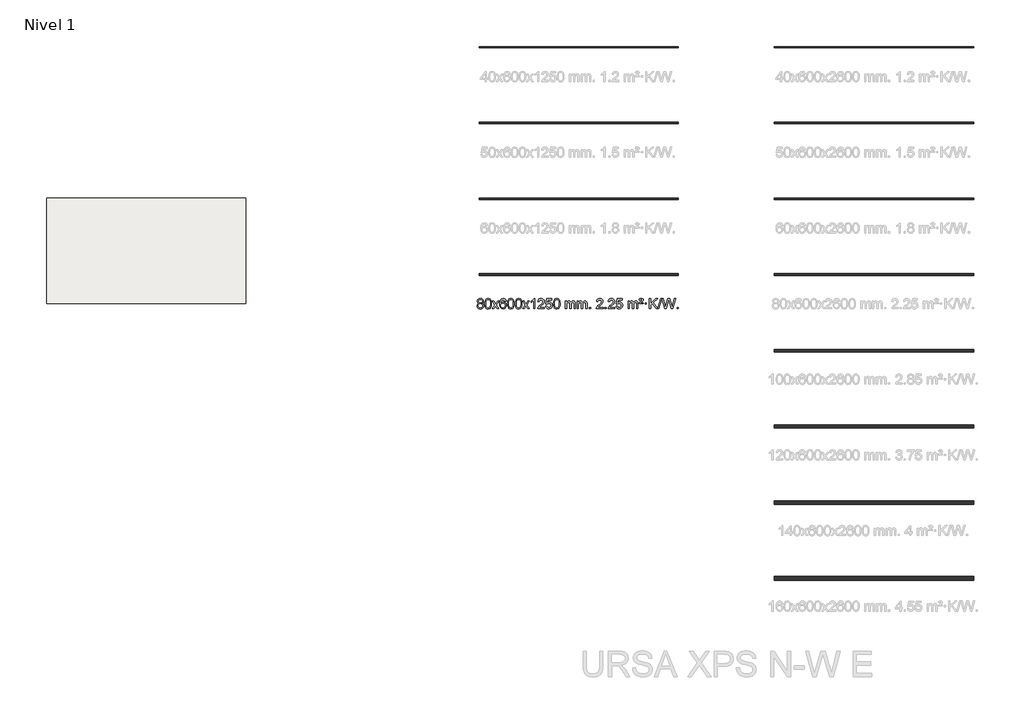
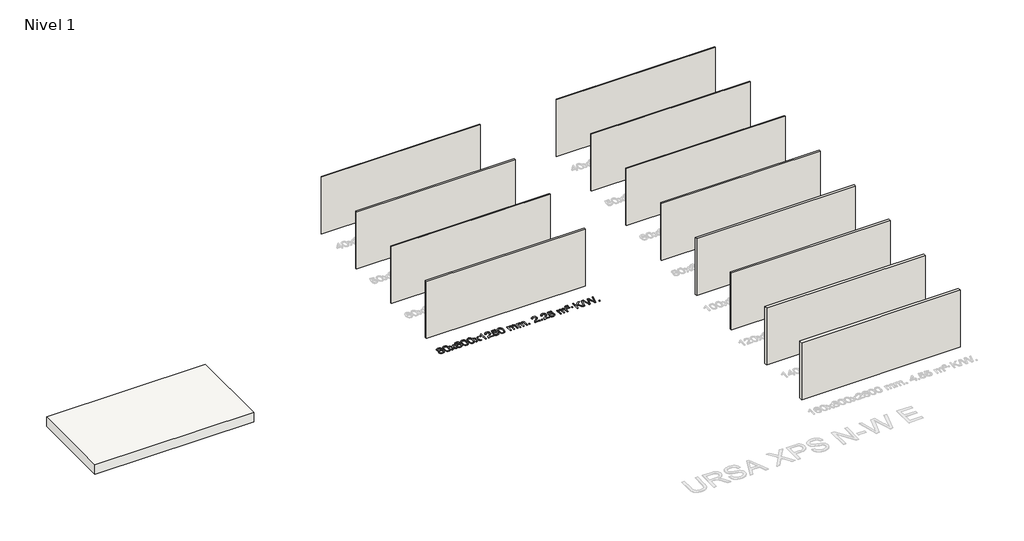
# One storey, part 1 of 12: 12 walls, 1 proxy, 1 slab.
"""IFC4 building model written with IfcOpenShell, lengths in millimetres."""

from ifc_helpers import new_model, si_unit, frame, origin, origin_with_axes, place, context, project, spatial, polyline, outline, extrude, element, save

model = new_model("IFC4")

# Units and contexts
model_context = context("Model", 3, world=origin())
ifc_project = project(units=[si_unit("LENGTHUNIT", "METRE", prefix="MILLI")], contexts=[model_context])

# Site, building, storey
site = spatial("IfcSite", under=ifc_project)
building = spatial("IfcBuilding", under=site)
storey = spatial("IfcBuildingStorey", under=building, Name="Nivel 1", Elevation=0.0)

# Proxy
placement = place(None, origin())
element("IfcBuildingElementProxy", 1, Name="Texto de modelo 1", ObjectType="Texto de modelo 1", at=placement, inside=storey, context=model_context, shape_type="SweptSolid", body=[
    extrude(outline(polyline([(-6536.8094438, -6174.2616447), (-6563.7016177, -6161.0178929), (-6582.573964, -6143.0652515), (-6593.7207885, -6120.7716026), (-6597.4363966, -6094.5048281), (-6595.4130456, -6074.0199324), (-6589.3429927, -6055.2395565), (-6579.2262378, -6038.1637006), (-6565.062781, -6022.7923645), (-6547.533204, -6010.088173), (-6527.3180883, -6001.0137504), (-6504.4174341, -5995.5690969), (-6478.8312414, -5993.7542124), (-6453.1224213, -5995.6120165), (-6430.0500888, -6001.1854287), (-6409.614244, -6010.4744491), (-6391.8148868, -6023.4790776), (-6377.3939126, -6039.1508506), (-6367.0932167, -6056.4413044), (-6360.9127992, -6075.3504389), (-6358.85266, -6095.8782543), (-6362.5192172, -6121.2989001), (-6373.5188889, -6143.2124043), (-6391.9743023, -6161.0546811), (-6418.0080848, -6174.2616447), (-6387.0937345, -6190.1909351), (-6364.5916191, -6213.6495436), (-6350.8696207, -6243.5092989), (-6346.2956212, -6278.6420295), (-6348.5642269, -6303.6947933), (-6355.3700438, -6326.6628926), (-6366.713072, -6347.5463272), (-6382.5933114, -6366.3450971), (-6402.1768963, -6381.88198), (-6424.6299607, -6392.9797536), (-6449.9525047, -6399.6384177), (-6478.1445283, -6401.8579724), (-6506.3365519, -6399.6292206), (-6531.6590959, -6392.9429654), (-6554.1121603, -6381.7992066), (-6573.6957452, -6366.1979443), (-6589.5759846, -6347.26735), (-6600.9190128, -6326.135595), (-6607.7248297, -6302.8026795), (-6609.9934354, -6277.2686033), (-6605.2354949, -6240.7747094), (-6590.9616735, -6210.7555386), (-6567.9077351, -6188.2411605), (-6536.8094438, -6174.2616447)]), holes=[polyline([(-6547.2082415, -6095.9763561), (-6542.7568694, -6117.902123), (-6529.402753, -6135.413306), (-6507.5382997, -6146.8912243), (-6477.5559171, -6150.717197), (-6448.2725103, -6146.9157497), (-6426.7391508, -6135.5114079), (-6413.495399, -6118.5888361), (-6409.0808151, -6098.232699), (-6413.6425518, -6077.1040098), (-6427.327762, -6059.629615), (-6449.1554271, -6047.8941794), (-6478.1445283, -6043.9823675), (-6507.3175705, -6047.8083402), (-6529.1084474, -6059.2862585), (-6542.683293, -6076.1107284), (-6547.2082415, -6095.9763561)]), polyline([(-6559.7652803, -6275.5027698), (-6557.6683529, -6294.7184726), (-6551.3775708, -6313.3210389), (-6539.7647625, -6329.5446349), (-6521.7017565, -6341.623427), (-6500.0702952, -6349.1282197), (-6477.7521208, -6351.6298173), (-6443.5636208, -6346.3691048), (-6429.6699441, -6339.7932141), (-6417.909983, -6330.5869672), (-6401.870328, -6306.6869002), (-6396.5237763, -6277.0723996), (-6402.0420062, -6246.9551269), (-6418.596696, -6222.5277625), (-6430.6754882, -6213.0854579), (-6444.838945, -6206.3409547), (-6479.4198526, -6200.9453521), (-6513.130106, -6206.2673783), (-6526.8674329, -6212.919911), (-6538.5262264, -6222.2334569), (-6554.4555168, -6246.1948375), (-6559.7652803, -6275.5027698)])]), origin_with_axes(), (0.0, 0.0, 1.0), 10.0),
    extrude(outline(polyline([(-6302.3459855, -6197.9041943), (-6298.6549029, -6133.5861588), (-6287.5816548, -6082.2911459), (-6269.236606, -6043.2343407), (-6257.378543, -6028.0009605), (-6243.730121, -6015.6309284), (-6228.2453547, -6006.0598651), (-6210.8782588, -5999.2233914), (-6170.4970785, -5993.7542124), (-6139.5459399, -5996.991574), (-6111.832163, -6006.7036586), (-6088.6555973, -6022.5103217), (-6071.3160926, -6044.0314184), (-6058.2194935, -6071.0830078), (-6047.7716449, -6103.4811488), (-6040.9290398, -6144.6226186), (-6038.6481714, -6197.9041943), (-6042.3024659, -6261.8543477), (-6053.2653493, -6313.0267333), (-6071.5000336, -6352.1203266), (-6083.3305054, -6367.3996922), (-6096.9697304, -6379.8341036), (-6112.4728908, -6389.4695462), (-6129.8951689, -6396.3520052), (-6170.4970785, -6401.8579724), (-6198.1618045, -6399.4667394), (-6222.6872709, -6392.2930405), (-6244.0734775, -6380.3368757), (-6262.3204245, -6363.5982449), (-6279.8316074, -6333.3399508), (-6292.3395953, -6295.6381776), (-6299.844388, -6250.4929255), (-6302.3459855, -6197.9041943)]), holes=[polyline([(-6252.1178305, -6197.8060924), (-6250.6463025, -6241.4706195), (-6246.2317185, -6276.8148822), (-6238.8740786, -6303.8388804), (-6228.5733828, -6322.5426142), (-6216.1144459, -6335.2682656), (-6202.2820829, -6344.3580165), (-6187.0762937, -6349.8118671), (-6170.4970785, -6351.6298173), (-6153.9178632, -6349.8057357), (-6138.7120741, -6344.3334911), (-6124.8797111, -6335.2130833), (-6112.4207742, -6322.4445124), (-6102.1200783, -6303.7101217), (-6094.7624384, -6276.6922549), (-6090.3478545, -6241.3909118), (-6088.8763265, -6197.8060924), (-6090.2988035, -6155.2973278), (-6094.5662347, -6120.5753989), (-6101.6786199, -6093.6403055), (-6111.6359592, -6074.4920476), (-6123.8864297, -6061.1440625), (-6137.8782082, -6051.6097875), (-6153.6112949, -6045.8892225), (-6171.0856897, -6043.9823675), (-6187.5790658, -6045.6623619), (-6202.5273375, -6050.7023452), (-6215.9305049, -6059.1023175), (-6227.7885679, -6070.8622786), (-6238.4326203, -6091.708925), (-6246.0355148, -6119.8151094), (-6250.5972516, -6155.1808319), (-6252.1178305, -6197.8060924)])]), origin_with_axes(), (0.0, 0.0, 1.0), 10.0),
    extrude(outline(polyline([(-6013.5340939, -6395.579453), (-5906.2106531, -6247.2494325), (-6007.2555745, -6100.4890419), (-5946.8248254, -6100.4890419), (-5898.0681983, -6171.122385), (-5875.3085655, -6204.4770192), (-5855.5900906, -6177.2047007), (-5800.0644348, -6100.4890419), (-5739.6336857, -6100.4890419), (-5845.7799041, -6247.2494325), (-5743.5577603, -6395.579453), (-5803.9885094, -6395.579453), (-5865.498379, -6306.4048574), (-5876.7800935, -6290.1199477), (-5953.1033448, -6395.579453), (-6013.5340939, -6395.579453)])), origin_with_axes(), (0.0, 0.0, 1.0), 10.0),
    extrude(outline(polyline([(-5454.7458687, -6100.4890419), (-5504.9740237, -6106.7675613), (-5513.0674276, -6081.874213), (-5524.0057856, -6064.8780648), (-5546.7899439, -6049.2062918), (-5574.3320426, -6043.9823675), (-5597.6802865, -6047.0235253), (-5619.6551044, -6056.1469988), (-5638.5274507, -6075.3627017), (-5653.9417063, -6101.8134171), (-5664.3527668, -6139.227016), (-5668.2155277, -6191.3313693), (-5648.0678571, -6167.8237098), (-5623.9225355, -6151.2567573), (-5597.1284635, -6141.434308), (-5569.0345418, -6138.1601582), (-5544.9014829, -6140.398107), (-5522.6323595, -6147.1119534), (-5502.2271715, -6158.3016975), (-5483.6859189, -6173.9673391), (-5468.2777947, -6193.1769106), (-5457.2719917, -6214.9984443), (-5450.6685099, -6239.4319401), (-5448.4673493, -6266.4773982), (-5452.6121531, -6302.4439945), (-5465.0465645, -6335.786366), (-5484.740514, -6364.0642287), (-5510.6639319, -6384.8372987), (-5541.6395959, -6397.602804), (-5576.4902836, -6401.8579724), (-5606.4328123, -6399.0375437), (-5633.4752046, -6390.5762579), (-5657.6174606, -6376.4741147), (-5678.8595801, -6356.7311143), (-5696.177625, -6330.5133908), (-5708.5476571, -6296.9870783), (-5715.9696764, -6256.1521768), (-5718.4436828, -6208.0086864), (-5715.6968306, -6154.0342663), (-5707.4562739, -6107.9693092), (-5693.7220127, -6069.8138149), (-5674.4940471, -6039.5677835), (-5653.6535321, -6019.5243462), (-5629.4898164, -6005.2076052), (-5602.0029, -5996.6175606), (-5571.1927829, -5993.7542124), (-5548.0591367, -5995.5261773), (-5527.1205198, -6000.8420722), (-5508.3769322, -6009.7018969), (-5491.8283738, -6022.1056515), (-5477.9224344, -6037.6364031), (-5467.1067037, -6055.8772186), (-5459.3811818, -6076.8280983), (-5454.7458687, -6100.4890419)]), holes=[polyline([(-5668.2155277, -6265.6925832), (-5665.30926, -6287.9494439), (-5656.5904567, -6309.2007605), (-5643.0523993, -6327.472233), (-5625.6883691, -6340.7895612), (-5604.7313581, -6348.9197533), (-5580.4143582, -6351.6298173), (-5547.2681904, -6346.0134855), (-5533.353054, -6338.9930708), (-5521.2098825, -6329.1644901), (-5511.359842, -6316.9262824), (-5504.3240989, -6302.6769865), (-5498.6955043, -6268.1451299), (-5504.2505225, -6234.9989621), (-5511.1942951, -6221.3781312), (-5520.9155769, -6209.725469), (-5533.0955366, -6200.3904634), (-5547.4153432, -6193.7226022), (-5582.4744974, -6188.3883133), (-5615.5716142, -6193.7226022), (-5643.248603, -6209.725469), (-5654.1716326, -6221.2248471), (-5661.9737965, -6234.3858254), (-5666.6550949, -6249.2084042), (-5668.2155277, -6265.6925832)])]), origin_with_axes(), (0.0, 0.0, 1.0), 10.0),
    extrude(outline(polyline([(-5404.5177136, -6197.9041943), (-5400.8266309, -6133.5861588), (-5389.7533828, -6082.2911459), (-5371.408334, -6043.2343407), (-5359.550271, -6028.0009605), (-5345.901849, -6015.6309284), (-5330.4170827, -6006.0598651), (-5313.0499869, -5999.2233914), (-5272.6688065, -5993.7542124), (-5241.717668, -5996.991574), (-5214.003891, -6006.7036586), (-5190.8273253, -6022.5103217), (-5173.4878206, -6044.0314184), (-5160.3912216, -6071.0830078), (-5149.9433729, -6103.4811488), (-5143.1007678, -6144.6226186), (-5140.8198994, -6197.9041943), (-5144.4741939, -6261.8543477), (-5155.4370774, -6313.0267333), (-5173.6717616, -6352.1203266), (-5185.5022334, -6367.3996922), (-5199.1414584, -6379.8341036), (-5214.6446188, -6389.4695462), (-5232.066897, -6396.3520052), (-5272.6688065, -6401.8579724), (-5300.3335326, -6399.4667394), (-5324.8589989, -6392.2930405), (-5346.2452055, -6380.3368757), (-5364.4921525, -6363.5982449), (-5382.0033355, -6333.3399508), (-5394.5113233, -6295.6381776), (-5402.016116, -6250.4929255), (-5404.5177136, -6197.9041943)]), holes=[polyline([(-5354.2895585, -6197.8060924), (-5352.8180305, -6241.4706195), (-5348.4034466, -6276.8148822), (-5341.0458067, -6303.8388804), (-5330.7451108, -6322.5426142), (-5318.2861739, -6335.2682656), (-5304.4538109, -6344.3580165), (-5289.2480218, -6349.8118671), (-5272.6688065, -6351.6298173), (-5256.0895913, -6349.8057357), (-5240.8838021, -6344.3334911), (-5227.0514391, -6335.2130833), (-5214.5925022, -6322.4445124), (-5204.2918063, -6303.7101217), (-5196.9341664, -6276.6922549), (-5192.5195825, -6241.3909118), (-5191.0480545, -6197.8060924), (-5192.4705316, -6155.2973278), (-5196.7379627, -6120.5753989), (-5203.8503479, -6093.6403055), (-5213.8076873, -6074.4920476), (-5226.0581577, -6061.1440625), (-5240.0499363, -6051.6097875), (-5255.7830229, -6045.8892225), (-5273.2574177, -6043.9823675), (-5289.7507938, -6045.6623619), (-5304.6990656, -6050.7023452), (-5318.1022329, -6059.1023175), (-5329.9602959, -6070.8622786), (-5340.6043483, -6091.708925), (-5348.2072429, -6119.8151094), (-5352.7689796, -6155.1808319), (-5354.2895585, -6197.8060924)])]), origin_with_axes(), (0.0, 0.0, 1.0), 10.0),
    extrude(outline(polyline([(-5096.8702638, -6197.9041943), (-5093.1791811, -6133.5861588), (-5082.105933, -6082.2911459), (-5063.7608842, -6043.2343407), (-5051.9028212, -6028.0009605), (-5038.2543992, -6015.6309284), (-5022.7696329, -6006.0598651), (-5005.402537, -5999.2233914), (-4965.0213567, -5993.7542124), (-4934.0702182, -5996.991574), (-4906.3564412, -6006.7036586), (-4883.1798755, -6022.5103217), (-4865.8403708, -6044.0314184), (-4852.7437718, -6071.0830078), (-4842.2959231, -6103.4811488), (-4835.453318, -6144.6226186), (-4833.1724496, -6197.9041943), (-4836.8267441, -6261.8543477), (-4847.7896275, -6313.0267333), (-4866.0243118, -6352.1203266), (-4877.8547836, -6367.3996922), (-4891.4940086, -6379.8341036), (-4906.997169, -6389.4695462), (-4924.4194471, -6396.3520052), (-4965.0213567, -6401.8579724), (-4992.6860827, -6399.4667394), (-5017.2115491, -6392.2930405), (-5038.5977557, -6380.3368757), (-5056.8447027, -6363.5982449), (-5074.3558856, -6333.3399508), (-5086.8638735, -6295.6381776), (-5094.3686662, -6250.4929255), (-5096.8702638, -6197.9041943)]), holes=[polyline([(-5046.6421087, -6197.8060924), (-5045.1705807, -6241.4706195), (-5040.7559968, -6276.8148822), (-5033.3983568, -6303.8388804), (-5023.097661, -6322.5426142), (-5010.6387241, -6335.2682656), (-4996.8063611, -6344.3580165), (-4981.6005719, -6349.8118671), (-4965.0213567, -6351.6298173), (-4948.4421414, -6349.8057357), (-4933.2363523, -6344.3334911), (-4919.4039893, -6335.2130833), (-4906.9450524, -6322.4445124), (-4896.6443565, -6303.7101217), (-4889.2867166, -6276.6922549), (-4884.8721327, -6241.3909118), (-4883.4006047, -6197.8060924), (-4884.8230817, -6155.2973278), (-4889.0905129, -6120.5753989), (-4896.2028981, -6093.6403055), (-4906.1602375, -6074.4920476), (-4918.4107079, -6061.1440625), (-4932.4024864, -6051.6097875), (-4948.1355731, -6045.8892225), (-4965.6099679, -6043.9823675), (-4982.103344, -6045.6623619), (-4997.0516157, -6050.7023452), (-5010.4547831, -6059.1023175), (-5022.3128461, -6070.8622786), (-5032.9568985, -6091.708925), (-5040.559793, -6119.8151094), (-5045.1215298, -6155.1808319), (-5046.6421087, -6197.8060924)])]), origin_with_axes(), (0.0, 0.0, 1.0), 10.0),
    extrude(outline(polyline([(-4808.0583721, -6395.579453), (-4700.7349313, -6247.2494325), (-4801.7798527, -6100.4890419), (-4741.3491036, -6100.4890419), (-4692.5924765, -6171.122385), (-4669.8328437, -6204.4770192), (-4650.1143688, -6177.2047007), (-4594.588713, -6100.4890419), (-4534.1579639, -6100.4890419), (-4640.3041823, -6247.2494325), (-4538.0820385, -6395.579453), (-4598.5127876, -6395.579453), (-4660.0226572, -6306.4048574), (-4671.3043717, -6290.1199477), (-4747.627623, -6395.579453), (-4808.0583721, -6395.579453)])), origin_with_axes(), (0.0, 0.0, 1.0), 10.0),
    extrude(outline(polyline([(-4318.3338601, -6395.579453), (-4368.5620152, -6395.579453), (-4368.5620152, -6082.4382987), (-4389.5312889, -6099.3976587), (-4416.1414199, -6116.3324932), (-4469.0183253, -6141.6918254), (-4469.0183253, -6094.2105225), (-4429.5691127, -6072.7507395), (-4395.3928753, -6047.219729), (-4368.4516506, -6020.0700378), (-4350.7074757, -5993.7542124), (-4318.3338601, -5993.7542124), (-4318.3338601, -6395.579453)])), origin_with_axes(), (0.0, 0.0, 1.0), 10.0),
    extrude(outline(polyline([(-3941.622697, -6345.3512979), (-3941.622697, -6395.579453), (-4205.3205112, -6395.579453), (-4204.2168652, -6377.8965918), (-4199.9249086, -6360.9494945), (-4187.5395481, -6333.8856424), (-4169.4152284, -6307.6311307), (-4143.1975049, -6280.1503456), (-4106.5319327, -6249.4076736), (-4052.3306521, -6201.2641831), (-4019.8098837, -6165.7267824), (-4003.5494996, -6136.884834), (-3998.1293715, -6108.8277005), (-4003.2429312, -6083.6768347), (-4018.5836104, -6062.7688747), (-4042.1648463, -6048.6789943), (-4072.0000761, -6043.9823675), (-4103.3313594, -6048.5686297), (-4127.6728847, -6062.3274163), (-4143.3814459, -6084.1796068), (-4148.8138367, -6113.0460807), (-4199.0419918, -6106.7675613), (-4194.722444, -6080.838012), (-4186.8650977, -6058.1826125), (-4175.4699529, -6038.8013627), (-4160.5370096, -6022.6942627), (-4142.4096243, -6010.0329907), (-4121.4311535, -6000.989225), (-4097.6015973, -5995.5629655), (-4070.9209556, -5993.7542124), (-4044.0011906, -5995.7653006), (-4020.0428757, -6001.7985654), (-3999.0460108, -6011.8540066), (-3981.010596, -6025.9316242), (-3966.5252424, -6042.9890861), (-3956.1785613, -6061.9840598), (-3949.9705526, -6082.9165453), (-3947.9012164, -6105.7865427), (-3950.1330339, -6129.8092369), (-3956.8284862, -6153.4149983), (-3968.7110746, -6177.4254299), (-3986.5043004, -6202.6621347), (-4014.8680023, -6232.7916701), (-4058.4620187, -6271.4805933), (-4116.2440174, -6319.795762), (-4138.9055483, -6345.3512979), (-3941.622697, -6345.3512979)])), origin_with_axes(), (0.0, 0.0, 1.0), 10.0),
    extrude(outline(polyline([(-3891.394542, -6288.8446235), (-3841.1663869, -6282.5661041), (-3831.9448115, -6312.7201649), (-3815.8561056, -6334.3148381), (-3792.9738455, -6347.3010725), (-3763.3716076, -6351.6298173), (-3744.2417439, -6350.1245668), (-3727.368223, -6345.6088153), (-3712.7510451, -6338.0825628), (-3700.3902101, -6327.5458094), (-3690.5616294, -6314.519721), (-3683.5412147, -6299.5254641), (-3677.9248829, -6263.6324441), (-3683.1855954, -6229.8363514), (-3689.7614861, -6215.9181493), (-3698.967733, -6203.9865099), (-3710.834993, -6194.4154467), (-3725.393923, -6187.5789729), (-3762.5867927, -6182.1097939), (-3786.9528435, -6184.2925604), (-3806.6835812, -6190.8408599), (-3822.4411933, -6200.8717757), (-3834.8878675, -6213.5023908), (-3885.1160226, -6207.2238715), (-3841.1663869, -6000.0327318), (-3646.532286, -6000.0327318), (-3646.532286, -6050.2608869), (-3800.5522146, -6050.2608869), (-3822.0365231, -6160.919791), (-3804.3107423, -6148.2155994), (-3786.1557659, -6139.1411769), (-3767.5715937, -6133.6965234), (-3748.558226, -6131.8816388), (-3724.097139, -6134.1318504), (-3701.6287461, -6140.882485), (-3681.1530474, -6152.1335427), (-3662.6700428, -6167.8850234), (-3647.3692175, -6187.1743027), (-3636.4400566, -6209.038756), (-3629.88256, -6233.4783832), (-3627.6967278, -6260.4931844), (-3629.6648965, -6286.5147042), (-3635.5694025, -6310.7213394), (-3645.4102459, -6333.1130902), (-3659.1874266, -6353.6899565), (-3680.0585985, -6374.7634634), (-3704.4123865, -6389.8159684), (-3732.2487908, -6398.8474714), (-3763.5678114, -6401.8579724), (-3789.4881636, -6399.9235262), (-3812.9007869, -6394.1201877), (-3833.8056813, -6384.447957), (-3852.2028467, -6370.9068338), (-3867.5098034, -6354.1712688), (-3879.1440715, -6334.915712), (-3887.105651, -6313.1401636), (-3891.394542, -6288.8446235)])), origin_with_axes(), (0.0, 0.0, 1.0), 10.0),
    extrude(outline(polyline([(-3583.7470921, -6197.9041943), (-3580.0560094, -6133.5861588), (-3568.9827614, -6082.2911459), (-3550.6377126, -6043.2343407), (-3538.7796496, -6028.0009605), (-3525.1312276, -6015.6309284), (-3509.6464612, -6006.0598651), (-3492.2793654, -5999.2233914), (-3451.8981851, -5993.7542124), (-3420.9470465, -5996.991574), (-3393.2332696, -6006.7036586), (-3370.0567039, -6022.5103217), (-3352.7171992, -6044.0314184), (-3339.6206001, -6071.0830078), (-3329.1727515, -6103.4811488), (-3322.3301463, -6144.6226186), (-3320.049278, -6197.9041943), (-3323.7035725, -6261.8543477), (-3334.6664559, -6313.0267333), (-3352.9011401, -6352.1203266), (-3364.731612, -6367.3996922), (-3378.3708369, -6379.8341036), (-3393.8739974, -6389.4695462), (-3411.2962755, -6396.3520052), (-3451.8981851, -6401.8579724), (-3479.5629111, -6399.4667394), (-3504.0883774, -6392.2930405), (-3525.4745841, -6380.3368757), (-3543.721531, -6363.5982449), (-3561.232714, -6333.3399508), (-3573.7407019, -6295.6381776), (-3581.2454946, -6250.4929255), (-3583.7470921, -6197.9041943)]), holes=[polyline([(-3533.518937, -6197.8060924), (-3532.0474091, -6241.4706195), (-3527.6328251, -6276.8148822), (-3520.2751852, -6303.8388804), (-3509.9744894, -6322.5426142), (-3497.5155525, -6335.2682656), (-3483.6831894, -6344.3580165), (-3468.4774003, -6349.8118671), (-3451.8981851, -6351.6298173), (-3435.3189698, -6349.8057357), (-3420.1131807, -6344.3334911), (-3406.2808176, -6335.2130833), (-3393.8218807, -6322.4445124), (-3383.5211849, -6303.7101217), (-3376.163545, -6276.6922549), (-3371.748961, -6241.3909118), (-3370.2774331, -6197.8060924), (-3371.6999101, -6155.2973278), (-3375.9673412, -6120.5753989), (-3383.0797265, -6093.6403055), (-3393.0370658, -6074.4920476), (-3405.2875363, -6061.1440625), (-3419.2793148, -6051.6097875), (-3435.0124015, -6045.8892225), (-3452.4867962, -6043.9823675), (-3468.9801724, -6045.6623619), (-3483.9284441, -6050.7023452), (-3497.3316115, -6059.1023175), (-3509.1896744, -6070.8622786), (-3519.8337268, -6091.708925), (-3527.4366214, -6119.8151094), (-3531.9983581, -6155.1808319), (-3533.518937, -6197.8060924)])]), origin_with_axes(), (0.0, 0.0, 1.0), 10.0),
    extrude(outline(polyline([(-3106.5796189, -6395.579453), (-3106.5796189, -6100.4890419), (-3056.3514638, -6100.4890419), (-3056.3514638, -6149.0494653), (-3041.2437766, -6126.7435537), (-3021.8196072, -6109.2691589), (-2998.7411434, -6097.9751816), (-2972.6705727, -6094.2105225), (-2944.7360665, -6098.048758), (-2922.3443157, -6109.5634645), (-2905.6179477, -6127.9943524), (-2894.6795897, -6152.5811324), (-2876.3713291, -6127.0439906), (-2855.4878945, -6108.803175), (-2832.0292859, -6097.8586857), (-2805.9955034, -6094.2105225), (-2785.8876867, -6095.7280358), (-2768.2385479, -6100.2805755), (-2753.0480872, -6107.8681416), (-2740.3163045, -6118.4907342), (-2730.2516663, -6132.2709806), (-2723.0626389, -6149.3315082), (-2718.7492225, -6169.6723168), (-2717.3114171, -6193.2934066), (-2717.3114171, -6395.579453), (-2767.5395722, -6395.579453), (-2767.5395722, -6214.875817), (-2768.7045318, -6189.8230531), (-2772.1994108, -6172.9372695), (-2778.7477103, -6161.3735121), (-2789.0729316, -6152.2868268), (-2802.3534716, -6146.4007149), (-2817.7677272, -6144.4386776), (-2844.9787321, -6149.4663982), (-2867.1620165, -6164.54956), (-2875.7673895, -6176.1194488), (-2881.9140845, -6190.7182326), (-2886.8314405, -6229.0024856), (-2886.8314405, -6395.579453), (-2937.0595955, -6395.579453), (-2937.0595955, -6209.2840106), (-2939.9658633, -6180.8835206), (-2948.6846666, -6160.6254854), (-2964.0253458, -6148.4853796), (-2986.7972413, -6144.4386776), (-3006.1478342, -6147.1364789), (-3023.9778483, -6155.2298828), (-3038.6931281, -6168.5226856), (-3048.6995183, -6186.8186835), (-3054.4384775, -6212.2025411), (-3056.3514638, -6246.7589232), (-3056.3514638, -6395.579453), (-3106.5796189, -6395.579453)])), origin_with_axes(), (0.0, 0.0, 1.0), 10.0),
    extrude(outline(polyline([(-2641.9691845, -6395.579453), (-2641.9691845, -6100.4890419), (-2591.7410294, -6100.4890419), (-2591.7410294, -6149.0494653), (-2576.6333421, -6126.7435537), (-2557.2091728, -6109.2691589), (-2534.130709, -6097.9751816), (-2508.0601382, -6094.2105225), (-2480.1256321, -6098.048758), (-2457.7338813, -6109.5634645), (-2441.0075132, -6127.9943524), (-2430.0691552, -6152.5811324), (-2411.7608946, -6127.0439906), (-2390.87746, -6108.803175), (-2367.4188515, -6097.8586857), (-2341.3850689, -6094.2105225), (-2321.2772522, -6095.7280358), (-2303.6281135, -6100.2805755), (-2288.4376528, -6107.8681416), (-2275.7058701, -6118.4907342), (-2265.6412318, -6132.2709806), (-2258.4522045, -6149.3315082), (-2254.1387881, -6169.6723168), (-2252.7009826, -6193.2934066), (-2252.7009826, -6395.579453), (-2302.9291377, -6395.579453), (-2302.9291377, -6214.875817), (-2304.0940974, -6189.8230531), (-2307.5889763, -6172.9372695), (-2314.1372758, -6161.3735121), (-2324.4624972, -6152.2868268), (-2337.7430372, -6146.4007149), (-2353.1572928, -6144.4386776), (-2380.3682977, -6149.4663982), (-2402.551582, -6164.54956), (-2411.156955, -6176.1194488), (-2417.30365, -6190.7182326), (-2422.221006, -6229.0024856), (-2422.221006, -6395.579453), (-2472.4491611, -6395.579453), (-2472.4491611, -6209.2840106), (-2475.3554289, -6180.8835206), (-2484.0742321, -6160.6254854), (-2499.4149113, -6148.4853796), (-2522.1868068, -6144.4386776), (-2541.5373998, -6147.1364789), (-2559.3674138, -6155.2298828), (-2574.0826936, -6168.5226856), (-2584.0890839, -6186.8186835), (-2589.828043, -6212.2025411), (-2591.7410294, -6246.7589232), (-2591.7410294, -6395.579453), (-2641.9691845, -6395.579453)])), origin_with_axes(), (0.0, 0.0, 1.0), 10.0),
    extrude(outline(polyline([(-2164.8017113, -6395.579453), (-2164.8017113, -6345.3512979), (-2114.5735562, -6345.3512979), (-2114.5735562, -6395.579453), (-2164.8017113, -6395.579453)])), origin_with_axes(), (0.0, 0.0, 1.0), 10.0),
    extrude(outline(polyline([(-1618.5705248, -6345.3512979), (-1618.5705248, -6395.579453), (-1882.268339, -6395.579453), (-1881.164693, -6377.8965918), (-1876.8727364, -6360.9494945), (-1864.4873759, -6333.8856424), (-1846.3630562, -6307.6311307), (-1820.1453327, -6280.1503456), (-1783.4797605, -6249.4076736), (-1729.2784799, -6201.2641831), (-1696.7577115, -6165.7267824), (-1680.4973273, -6136.884834), (-1675.0771993, -6108.8277005), (-1680.190759, -6083.6768347), (-1695.5314382, -6062.7688747), (-1719.1126741, -6048.6789943), (-1748.9479039, -6043.9823675), (-1780.2791872, -6048.5686297), (-1804.6207125, -6062.3274163), (-1820.3292737, -6084.1796068), (-1825.7616645, -6113.0460807), (-1875.9898196, -6106.7675613), (-1871.6702718, -6080.838012), (-1863.8129255, -6058.1826125), (-1852.4177807, -6038.8013627), (-1837.4848374, -6022.6942627), (-1819.3574521, -6010.0329907), (-1798.3789813, -6000.989225), (-1774.5494251, -5995.5629655), (-1747.8687834, -5993.7542124), (-1720.9490184, -5995.7653006), (-1696.9907035, -6001.7985654), (-1675.9938386, -6011.8540066), (-1657.9584238, -6025.9316242), (-1643.4730702, -6042.9890861), (-1633.1263891, -6061.9840598), (-1626.9183804, -6082.9165453), (-1624.8490442, -6105.7865427), (-1627.0808616, -6129.8092369), (-1633.776314, -6153.4149983), (-1645.6589024, -6177.4254299), (-1663.4521282, -6202.6621347), (-1691.8158301, -6232.7916701), (-1735.4098465, -6271.4805933), (-1793.1918452, -6319.795762), (-1815.8533761, -6345.3512979), (-1618.5705248, -6345.3512979)])), origin_with_axes(), (0.0, 0.0, 1.0), 10.0),
    extrude(outline(polyline([(-1543.2282922, -6395.579453), (-1543.2282922, -6345.3512979), (-1493.0001371, -6345.3512979), (-1493.0001371, -6395.579453), (-1543.2282922, -6395.579453)])), origin_with_axes(), (0.0, 0.0, 1.0), 10.0),
    extrude(outline(polyline([(-1153.9600904, -6345.3512979), (-1153.9600904, -6395.579453), (-1417.6579045, -6395.579453), (-1416.5542585, -6377.8965918), (-1412.2623019, -6360.9494945), (-1399.8769414, -6333.8856424), (-1381.7526218, -6307.6311307), (-1355.5348983, -6280.1503456), (-1318.8693261, -6249.4076736), (-1264.6680455, -6201.2641831), (-1232.1472771, -6165.7267824), (-1215.8868929, -6136.884834), (-1210.4667648, -6108.8277005), (-1215.5803246, -6083.6768347), (-1230.9210038, -6062.7688747), (-1254.5022397, -6048.6789943), (-1284.3374695, -6043.9823675), (-1315.6687527, -6048.5686297), (-1340.0102781, -6062.3274163), (-1355.7188393, -6084.1796068), (-1361.1512301, -6113.0460807), (-1411.3793851, -6106.7675613), (-1407.0598374, -6080.838012), (-1399.2024911, -6058.1826125), (-1387.8073463, -6038.8013627), (-1372.874403, -6022.6942627), (-1354.7470177, -6010.0329907), (-1333.7685469, -6000.989225), (-1309.9389907, -5995.5629655), (-1283.258349, -5993.7542124), (-1256.338584, -5995.7653006), (-1232.380269, -6001.7985654), (-1211.3834041, -6011.8540066), (-1193.3479893, -6025.9316242), (-1178.8626358, -6042.9890861), (-1168.5159547, -6061.9840598), (-1162.307946, -6082.9165453), (-1160.2386098, -6105.7865427), (-1162.4704272, -6129.8092369), (-1169.1658795, -6153.4149983), (-1181.048468, -6177.4254299), (-1198.8416938, -6202.6621347), (-1227.2053956, -6232.7916701), (-1270.799412, -6271.4805933), (-1328.5814108, -6319.795762), (-1351.2429417, -6345.3512979), (-1153.9600904, -6345.3512979)])), origin_with_axes(), (0.0, 0.0, 1.0), 10.0),
    extrude(outline(polyline([(-1103.7319353, -6288.8446235), (-1053.5037802, -6282.5661041), (-1044.2822049, -6312.7201649), (-1028.193499, -6334.3148381), (-1005.3112389, -6347.3010725), (-975.709001, -6351.6298173), (-956.5791372, -6350.1245668), (-939.7056164, -6345.6088153), (-925.0884384, -6338.0825628), (-912.7276034, -6327.5458094), (-902.8990228, -6314.519721), (-895.878608, -6299.5254641), (-890.2622762, -6263.6324441), (-895.5229888, -6229.8363514), (-902.0988794, -6215.9181493), (-911.3051264, -6203.9865099), (-923.1723864, -6194.4154467), (-937.7313163, -6187.5789729), (-974.9241861, -6182.1097939), (-999.2902369, -6184.2925604), (-1019.0209745, -6190.8408599), (-1034.7785867, -6200.8717757), (-1047.2252608, -6213.5023908), (-1097.4534159, -6207.2238715), (-1053.5037802, -6000.0327318), (-858.8696793, -6000.0327318), (-858.8696793, -6050.2608869), (-1012.889608, -6050.2608869), (-1034.3739165, -6160.919791), (-1016.6481357, -6148.2155994), (-998.4931592, -6139.1411769), (-979.9089871, -6133.6965234), (-960.8956193, -6131.8816388), (-936.4345323, -6134.1318504), (-913.9661395, -6140.882485), (-893.4904407, -6152.1335427), (-875.0074362, -6167.8850234), (-859.7066109, -6187.1743027), (-848.7774499, -6209.038756), (-842.2199533, -6233.4783832), (-840.0341212, -6260.4931844), (-842.0022898, -6286.5147042), (-847.9067959, -6310.7213394), (-857.7476392, -6333.1130902), (-871.5248199, -6353.6899565), (-892.3959918, -6374.7634634), (-916.7497799, -6389.8159684), (-944.5861842, -6398.8474714), (-975.9052047, -6401.8579724), (-1001.825557, -6399.9235262), (-1025.2381803, -6394.1201877), (-1046.1430746, -6384.447957), (-1064.5402401, -6370.9068338), (-1079.8471968, -6354.1712688), (-1091.4814649, -6334.915712), (-1099.4430444, -6313.1401636), (-1103.7319353, -6288.8446235)])), origin_with_axes(), (0.0, 0.0, 1.0), 10.0),
    extrude(outline(polyline([(-626.5644621, -6395.579453), (-626.5644621, -6100.4890419), (-576.336307, -6100.4890419), (-576.336307, -6149.0494653), (-561.2286197, -6126.7435537), (-541.8044504, -6109.2691589), (-518.7259866, -6097.9751816), (-492.6554158, -6094.2105225), (-464.7209097, -6098.048758), (-442.3291589, -6109.5634645), (-425.6027909, -6127.9943524), (-414.6644329, -6152.5811324), (-396.3561722, -6127.0439906), (-375.4727377, -6108.803175), (-352.0141291, -6097.8586857), (-325.9803466, -6094.2105225), (-305.8725298, -6095.7280358), (-288.2233911, -6100.2805755), (-273.0329304, -6107.8681416), (-260.3011477, -6118.4907342), (-250.2365094, -6132.2709806), (-243.0474821, -6149.3315082), (-238.7340657, -6169.6723168), (-237.2962603, -6193.2934066), (-237.2962603, -6395.579453), (-287.5244153, -6395.579453), (-287.5244153, -6214.875817), (-288.689375, -6189.8230531), (-292.1842539, -6172.9372695), (-298.7325535, -6161.3735121), (-309.0577748, -6152.2868268), (-322.3383148, -6146.4007149), (-337.7525704, -6144.4386776), (-364.9635753, -6149.4663982), (-387.1468596, -6164.54956), (-395.7522326, -6176.1194488), (-401.8989276, -6190.7182326), (-406.8162836, -6229.0024856), (-406.8162836, -6395.579453), (-457.0444387, -6395.579453), (-457.0444387, -6209.2840106), (-459.9507065, -6180.8835206), (-468.6695098, -6160.6254854), (-484.010189, -6148.4853796), (-506.7820845, -6144.4386776), (-526.1326774, -6147.1364789), (-543.9626914, -6155.2298828), (-558.6779713, -6168.5226856), (-568.6843615, -6186.8186835), (-574.4233206, -6212.2025411), (-576.336307, -6246.7589232), (-576.336307, -6395.579453), (-626.5644621, -6395.579453)])), origin_with_axes(), (0.0, 0.0, 1.0), 10.0),
    extrude(outline(polyline([(-193.3466246, -6194.6668327), (-189.5206518, -6178.8479069), (-181.1819933, -6162.9799302), (-159.6731593, -6137.8413272), (-127.7164766, -6110.1030247), (-83.5706372, -6072.726214), (-76.4337265, -6061.1992448), (-74.0547563, -6049.3779701), (-75.9432172, -6037.2869152), (-81.6085999, -6027.5012541), (-90.977328, -6021.026531), (-103.9758252, -6018.8682899), (-116.4102366, -6020.4869707), (-125.26393, -6025.343013), (-131.6896022, -6034.8098431), (-136.8399501, -6050.2608869), (-187.0681052, -6043.9823675), (-176.2278491, -6018.7701881), (-159.5995829, -6001.2099542), (-135.834406, -5990.9092583), (-103.5834178, -5987.475693), (-67.8007624, -5991.6082341), (-43.0545668, -6004.0058573), (-28.6335926, -6022.3386434), (-23.8266012, -6044.2766731), (-27.9223541, -6067.1834586), (-40.2096127, -6088.8149199), (-60.737428, -6108.6314968), (-97.2067965, -6136.6886303), (-122.8113834, -6163.2742358), (-23.8266012, -6163.2742358), (-23.8266012, -6194.6668327), (-193.3466246, -6194.6668327)])), origin_with_axes(), (0.0, 0.0, 1.0), 10.0),
    extrude(outline(polyline([(51.5156314, -6219.7809102), (51.5156314, -6169.5527552), (101.7437865, -6169.5527552), (101.7437865, -6219.7809102), (51.5156314, -6219.7809102)])), origin_with_axes(), (0.0, 0.0, 1.0), 10.0),
    extrude(outline(polyline([(492.3854144, -6395.579453), (338.954097, -6192.9009991), (271.2638099, -6257.4520265), (271.2638099, -6395.579453), (221.0356548, -6395.579453), (221.0356548, -5993.7542124), (271.2638099, -5993.7542124), (271.2638099, -6190.4484525), (477.2777272, -5993.7542124), (547.5186628, -5993.7542124), (374.5650741, -6158.9577537), (549.218684, -6389.5349332), (660.5320117, -5993.7542124), (705.8550735, -5993.7542124), (592.8417246, -6395.579453), (553.7971822, -6395.579453), (547.5186628, -6395.579453), (492.3854144, -6395.579453)])), origin_with_axes(), (0.0, 0.0, 1.0), 10.0),
    extrude(outline(polyline([(820.3399504, -6395.579453), (710.7601668, -5993.7542124), (762.5579517, -5993.7542124), (826.1279605, -6257.844434), (845.7483335, -6339.3670841), (866.7421327, -6267.2622131), (946.4008474, -5993.7542124), (1021.056367, -5993.7542124), (1078.9364675, -6192.0180823), (1103.731714, -6265.5944814), (1122.0031864, -6339.3670841), (1141.0349483, -6260.1988788), (1205.1935683, -5993.7542124), (1256.9913532, -5993.7542124), (1147.3134677, -6395.579453), (1093.6517474, -6395.579453), (997.3157155, -6085.5775584), (983.87576, -6042.3146358), (968.7680727, -6094.4067263), (880.9669032, -6395.579453), (820.3399504, -6395.579453)])), origin_with_axes(), (0.0, 0.0, 1.0), 10.0),
    extrude(outline(polyline([(1313.4980277, -6395.579453), (1313.4980277, -6345.3512979), (1363.7261827, -6345.3512979), (1363.7261827, -6395.579453), (1313.4980277, -6395.579453)])), origin_with_axes(), (0.0, 0.0, 1.0), 10.0),
])

# Slab
element("IfcSlab", 2, at=placement, inside=storey, context=model_context, shape_type="SweptSolid", body=[
    extrude(outline(polyline([(-15769.5892022, -2020.2851318), (-15769.5892022, -6187.1000163), (-23669.5892022, -6187.1000163), (-23669.5892022, -2020.2851318), (-15769.5892022, -2020.2851318)])), frame((0.0, 0.0, -490.0), z_axis=(0.0, 0.0, 1.0), x_axis=(1.0, 0.0, 0.0)), (0.0, 0.0, 1.0), 490.0),
])

# Walls
element("IfcWall", 3, at=placement, inside=storey, context=model_context, shape_type="SweptSolid", body=[
    extrude(outline(polyline([(1368.7582768, 3960.3831431), (-6531.2417232, 3960.3831431), (-6531.2417232, 4000.3831431), (1368.7582768, 4000.3831431), (1368.7582768, 3960.3831431)])), origin_with_axes(), (0.0, 0.0, 1.0), 3000.0),
])
element("IfcWall", 4, at=placement, inside=storey, context=model_context, shape_type="SweptSolid", body=[
    extrude(outline(polyline([(1368.7582768, 950.3831431), (-6531.2417232, 950.3831431), (-6531.2417232, 1000.3831431), (1368.7582768, 1000.3831431), (1368.7582768, 950.3831431)])), origin_with_axes(), (0.0, 0.0, 1.0), 3000.0),
])
element("IfcWall", 5, at=placement, inside=storey, context=model_context, shape_type="SweptSolid", body=[
    extrude(outline(polyline([(1368.7582768, -2063.6168569), (-6531.2417232, -2063.6168569), (-6531.2417232, -2003.6168569), (1368.7582768, -2003.6168569), (1368.7582768, -2063.6168569)])), origin_with_axes(), (0.0, 0.0, 1.0), 3000.0),
])
element("IfcWall", 6, at=placement, inside=storey, context=model_context, shape_type="SweptSolid", body=[
    extrude(outline(polyline([(1368.7582768, -5087.6168569), (-6531.2417232, -5087.6168569), (-6531.2417232, -5007.6168569), (1368.7582768, -5007.6168569), (1368.7582768, -5087.6168569)])), origin_with_axes(), (0.0, 0.0, 1.0), 3000.0),
])
element("IfcWall", 7, at=placement, inside=storey, context=model_context, shape_type="SweptSolid", body=[
    extrude(outline(polyline([(13068.7582768, 3960.3831431), (5168.7582768, 3960.3831431), (5168.7582768, 4000.3831431), (13068.7582768, 4000.3831431), (13068.7582768, 3960.3831431)])), origin_with_axes(), (0.0, 0.0, 1.0), 3000.0),
])
element("IfcWall", 8, at=placement, inside=storey, context=model_context, shape_type="SweptSolid", body=[
    extrude(outline(polyline([(13068.7582768, 950.3831431), (5168.7582768, 950.3831431), (5168.7582768, 1000.3831431), (13068.7582768, 1000.3831431), (13068.7582768, 950.3831431)])), origin_with_axes(), (0.0, 0.0, 1.0), 3000.0),
])
element("IfcWall", 9, at=placement, inside=storey, context=model_context, shape_type="SweptSolid", body=[
    extrude(outline(polyline([(13068.7582768, -2063.6168569), (5168.7582768, -2063.6168569), (5168.7582768, -2003.6168569), (13068.7582768, -2003.6168569), (13068.7582768, -2063.6168569)])), origin_with_axes(), (0.0, 0.0, 1.0), 3000.0),
])
element("IfcWall", 10, at=placement, inside=storey, context=model_context, shape_type="SweptSolid", body=[
    extrude(outline(polyline([(13068.7582768, -5087.6168569), (5168.7582768, -5087.6168569), (5168.7582768, -5007.6168569), (13068.7582768, -5007.6168569), (13068.7582768, -5087.6168569)])), origin_with_axes(), (0.0, 0.0, 1.0), 3000.0),
])
element("IfcWall", 11, at=placement, inside=storey, context=model_context, shape_type="SweptSolid", body=[
    extrude(outline(polyline([(13068.7582768, -8111.6168569), (5168.7582768, -8111.6168569), (5168.7582768, -8011.6168569), (13068.7582768, -8011.6168569), (13068.7582768, -8111.6168569)])), origin_with_axes(), (0.0, 0.0, 1.0), 3000.0),
])
element("IfcWall", 12, at=placement, inside=storey, context=model_context, shape_type="SweptSolid", body=[
    extrude(outline(polyline([(13068.7582768, -11125.6168569), (5168.7582768, -11125.6168569), (5168.7582768, -11005.6168569), (13068.7582768, -11005.6168569), (13068.7582768, -11125.6168569)])), origin_with_axes(), (0.0, 0.0, 1.0), 3000.0),
])
element("IfcWall", 13, at=placement, inside=storey, context=model_context, shape_type="SweptSolid", body=[
    extrude(outline(polyline([(13068.7582768, -14149.6168569), (5168.7582768, -14149.6168569), (5168.7582768, -14009.6168569), (13068.7582768, -14009.6168569), (13068.7582768, -14149.6168569)])), origin_with_axes(), (0.0, 0.0, 1.0), 3000.0),
])
element("IfcWall", 14, at=placement, inside=storey, context=model_context, shape_type="SweptSolid", body=[
    extrude(outline(polyline([(13068.7582768, -17169.6168569), (5168.7582768, -17169.6168569), (5168.7582768, -17009.6168569), (13068.7582768, -17009.6168569), (13068.7582768, -17169.6168569)])), origin_with_axes(), (0.0, 0.0, 1.0), 3000.0),
])

save(model, "model.ifc")
